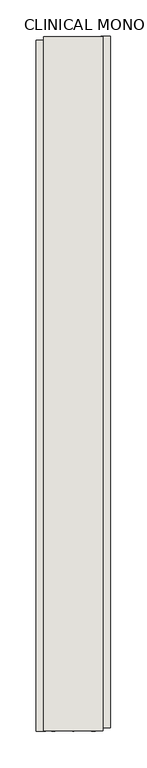
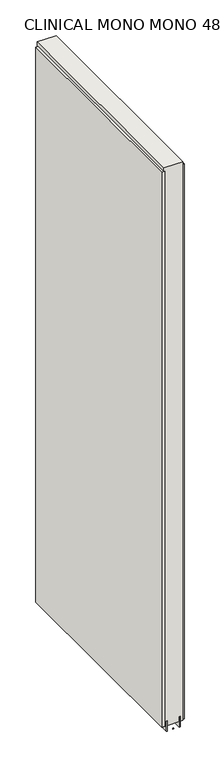
"""IFC4 building model written with IfcOpenShell, lengths in millimetres: wall geometry, CLINICAL MONO MONO 481194 : CLINICAL MONO MONO 481194."""

from ifc_helpers import new_model, si_unit, frame, origin, place, context, project, spatial, polyline, outline, extrude, source, transform, mapped, element, save


def clinical_mono_mono_481194_clinical_mono_mono_481194_bdbe18cb(model_context):
    return source(origin(), model_context, "Body", "SweptSolid", [
        extrude(outline(polyline([(61066.082211, -50863.4392178), (61066.082211, -50865.9792178), (61063.542211, -50865.9792178), (61063.542211, -50863.4392178), (61066.082211, -50863.4392178)])), frame((0.0, 0.0, 4419.6), z_axis=(0.0, 0.0, 1.0), x_axis=(1.0, 0.0, 0.0)), (0.0, 0.0, 1.0), 2.54),
        extrude(outline(polyline([(61014.012211, -50866.4430853), (61014.012211, -49919.3430491), (61026.712211, -49919.3430491), (61026.712211, -50866.4430853), (61014.012211, -50866.4430853)])), frame((0.0, 0.0, 4445.0), z_axis=(0.0, 0.0, 1.0), x_axis=(1.0, 0.0, 0.0)), (0.0, 0.0, 1.0), 2545.0498756),
        extrude(outline(polyline([(61115.612211, -49914.4131123), (61115.612211, -50861.5131485), (61102.912211, -50861.5131485), (61102.912211, -49914.4131123), (61115.612211, -49914.4131123)])), frame((0.0, 0.0, 4445.0), z_axis=(0.0, 0.0, 1.0), x_axis=(1.0, 0.0, 0.0)), (0.0, 0.0, 1.0), 2545.0498756),
        extrude(outline(polyline([(61039.7284664, -49914.8850316), (61039.7284664, -50865.9897588), (61034.649711, -50865.9897588), (61034.649711, -49914.8850316), (61039.7284664, -49914.8850316)])), frame((0.0, 0.0, 4418.6602), z_axis=(0.0, 0.0, 1.0), x_axis=(1.0, 0.0, 0.0)), (0.0, 0.0, 1.0), 47.625),
        extrude(outline(polyline([(61039.7284664, -49914.8850316), (61039.7284664, -50865.9897588), (61034.649711, -50865.9897588), (61034.649711, -49914.8850316), (61039.7284664, -49914.8850316)])), frame((0.0, 0.0, 4418.6602), z_axis=(0.0, 0.0, 1.0), x_axis=(1.0, 0.0, 0.0)), (0.0, 0.0, 1.0), 47.625),
        extrude(outline(polyline([(61089.8959556, -50865.9897588), (61089.8959556, -49914.8850316), (61094.974711, -49914.8850316), (61094.974711, -50865.9897588), (61089.8959556, -50865.9897588)])), frame((0.0, 0.0, 4418.6602), z_axis=(0.0, 0.0, 1.0), x_axis=(1.0, 0.0, 0.0)), (0.0, 0.0, 1.0), 47.625),
        extrude(outline(polyline([(61089.8959556, -50865.9897588), (61089.8959556, -49914.8850316), (61094.974711, -49914.8850316), (61094.974711, -50865.9897588), (61089.8959556, -50865.9897588)])), frame((0.0, 0.0, 4418.6602), z_axis=(0.0, 0.0, 1.0), x_axis=(1.0, 0.0, 0.0)), (0.0, 0.0, 1.0), 47.625),
        extrude(outline(polyline([(61024.1573266, -49914.8850316), (61105.4670954, -49914.8850316), (61105.4670954, -50865.9897588), (61024.1573266, -50865.9897588), (61024.1573266, -49914.8850316)])), frame((0.0, 0.0, 4445.0), z_axis=(0.0, 0.0, 1.0), x_axis=(1.0, 0.0, 0.0)), (0.0, 0.0, 1.0), 2562.4536762),
    ])


if __name__ == "__main__":
    model = new_model("IFC4")
    model_context = context("Model", 3, world=origin())
    ifc_project = project(units=[si_unit("LENGTHUNIT", "METRE", prefix="MILLI")], contexts=[model_context])
    site = spatial("IfcSite", under=ifc_project)
    building = spatial("IfcBuilding", under=site)
    placement = place(None, origin())
    clinical_mono_mono_481194_clinical_mono_mono_481194_shape = clinical_mono_mono_481194_clinical_mono_mono_481194_bdbe18cb(model_context)
    element("IfcWall", 1, ObjectType="CLINICAL MONO MONO 481194 : CLINICAL MONO MONO 481194", at=placement, inside=building, context=model_context, shape_type="MappedRepresentation", body=[
        mapped(clinical_mono_mono_481194_clinical_mono_mono_481194_shape, transform((0.0, 0.0, 0.0), x_axis=(1.0, 0.0, 0.0), y_axis=(0.0, 1.0, 0.0), z_axis=(0.0, 0.0, 1.0))),
    ])
    save(model, "model.ifc")
